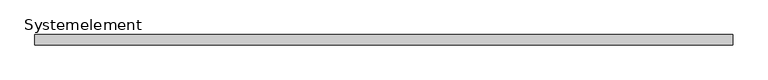
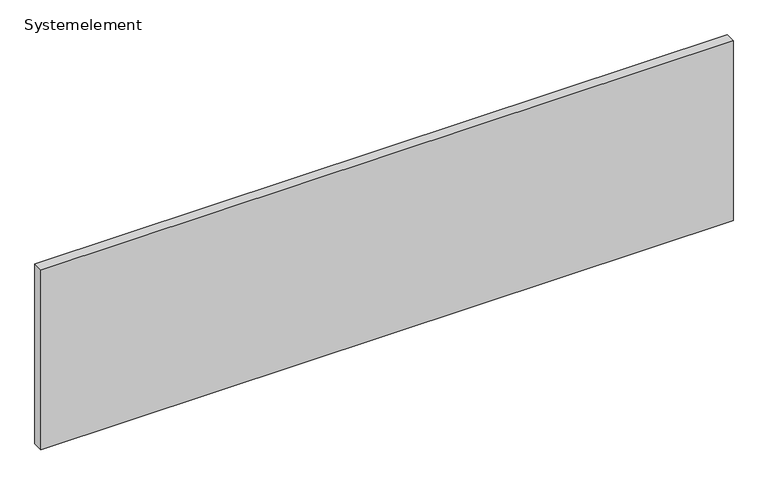
"""IFC4 building model written with IfcOpenShell, lengths in millimetres: plate geometry, Systemelement."""

from ifc_helpers import new_model, si_unit, origin, origin_with_axes, place, context, project, spatial, polyline, outline, extrude, source, transform, mapped, element, save


def systemelement_902fe60c(model_context):
    return source(origin(), model_context, "Body", "SweptSolid", [
        extrude(outline(polyline([(2000.0, -60.0), (-2000.0, -60.0), (-2000.0, 0.0), (2000.0, 0.0), (2000.0, -60.0)])), origin_with_axes(), (0.0, 0.0, 1.0), 1100.0),
    ])


if __name__ == "__main__":
    model = new_model("IFC4")
    model_context = context("Model", 3, world=origin())
    ifc_project = project(units=[si_unit("LENGTHUNIT", "METRE", prefix="MILLI")], contexts=[model_context])
    site = spatial("IfcSite", under=ifc_project)
    building = spatial("IfcBuilding", under=site)
    placement = place(None, origin())
    systemelement_shape = systemelement_902fe60c(model_context)
    element("IfcPlate", 1, ObjectType="Systemelement", at=placement, inside=building, context=model_context, shape_type="MappedRepresentation", body=[
        mapped(systemelement_shape, transform((0.0, 0.0, 0.0), x_axis=(1.0, 0.0, 0.0), y_axis=(0.0, 1.0, 0.0), z_axis=(0.0, 0.0, 1.0))),
    ])
    save(model, "model.ifc")
